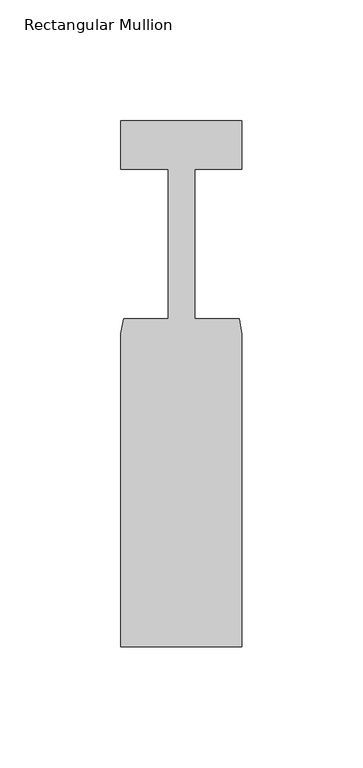
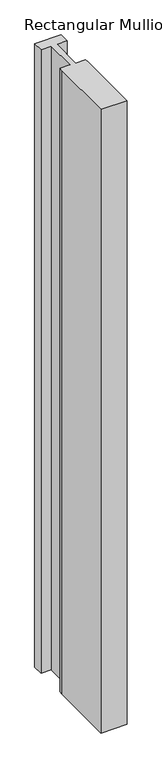
"""IFC4 building model written with IfcOpenShell, lengths in millimetres: member geometry, Rectangular Mullion."""

import ifcopenshell
import ifcopenshell.guid

model = None  # the IFC model being written
_history = None  # IfcOwnerHistory: only IFC2X3 demands one
_inside = {}  # id of a spatial element -> (the spatial element, [elements in it])
_under = {}  # id of a project, library or spatial element -> (it, [spatial elements below it])
_declared = {}  # id of a project -> (the project, [libraries it declares])
_typed = {}  # id of a type object -> (the type object, [elements of that type])
_made_of = {}  # id of a material, layer set ... -> (it, [elements and type objects made of it])


def new_model(schema):
    """Start an empty IFC model of exactly this schema.

    Asked for "IFC4X3", IfcOpenShell would pick the latest addendum, in which some entities
    have other attributes; the version numbers below select the first issue.
    IFC2X3 requires an IfcOwnerHistory on every rooted entity: one is made here for all.
    """
    global model, _history
    if schema == "IFC4X3":
        model = ifcopenshell.file(schema_version=(4, 3, 0, 0))
    else:
        model = ifcopenshell.file(schema=schema)
    _inside.clear()
    _under.clear()
    _declared.clear()
    _typed.clear()
    _made_of.clear()
    _history = None
    if model.schema == "IFC2X3":
        org = make("IfcOrganization", Name="unknown")
        user = make(
            "IfcPersonAndOrganization",
            ThePerson=make("IfcPerson", FamilyName="unknown"),
            TheOrganization=org,
        )
        app = make(
            "IfcApplication",
            ApplicationDeveloper=org,
            Version="unknown",
            ApplicationFullName="unknown",
            ApplicationIdentifier="unknown",
        )
        _history = make(
            "IfcOwnerHistory",
            OwningUser=user,
            OwningApplication=app,
            ChangeAction="ADDED",
            CreationDate=0,
        )
    return model


def make(cls, **values):
    """One entity of the class cls with the attributes given. An attribute that is None is left unset."""
    return model.create_entity(
        cls, **{name: value for name, value in values.items() if value is not None}
    )


def rooted(cls, **values):
    """An entity with a GlobalId (a new one), such as an element, a storey or a relation."""
    return make(cls, GlobalId=ifcopenshell.guid.new(), OwnerHistory=_history, **values)


def si_unit(unit_type, name, prefix=None):
    """IfcSIUnit, for example si_unit("LENGTHUNIT", "METRE", prefix="MILLI")."""
    return make("IfcSIUnit", UnitType=unit_type, Prefix=prefix, Name=name)


def assignment(units):
    """IfcUnitAssignment: the units of a project."""
    return None if units is None else make("IfcUnitAssignment", Units=units)


def point(xyz):
    """IfcCartesianPoint."""
    return None if xyz is None else make("IfcCartesianPoint", Coordinates=xyz)


def direction(xyz):
    """IfcDirection."""
    return None if xyz is None else make("IfcDirection", DirectionRatios=xyz)


def frame(location, z_axis=None, x_axis=None):
    """IfcAxis2Placement3D, a coordinate frame: its origin and axes. An axis left out is left unset."""
    return make(
        "IfcAxis2Placement3D",
        Location=point(location),
        Axis=direction(z_axis),
        RefDirection=direction(x_axis),
    )


def origin():
    """The frame at (0, 0, 0) with its axes left unset."""
    return frame((0.0, 0.0, 0.0))


def place(relative_to, where):
    """IfcLocalPlacement: puts the frame where relative to a parent placement (None: the world)."""
    return make(
        "IfcLocalPlacement", PlacementRelTo=relative_to, RelativePlacement=where
    )


def context(
    kind, dimensions, precision=None, world=None, true_north=None, identifier=None
):
    """IfcGeometricRepresentationContext, for example the 3D "Model" context."""
    return make(
        "IfcGeometricRepresentationContext",
        ContextIdentifier=identifier,
        ContextType=kind,
        CoordinateSpaceDimension=dimensions,
        Precision=precision,
        WorldCoordinateSystem=world,
        TrueNorth=true_north,
    )


def project(units=None, contexts=None):
    """IfcProject with its units and contexts."""
    return rooted(
        "IfcProject",
        Name="project",
        RepresentationContexts=contexts,
        UnitsInContext=assignment(units),
    )


def spatial(cls, under=None, at=None, **own):
    """A site, building, storey or space (cls), placed at a placement, below another one or the project."""
    s = rooted(cls, ObjectPlacement=at, **own)
    if under is not None:
        _under.setdefault(under.id(), (under, []))[1].append(s)
    return s


def polyline(points):
    """IfcPolyline through the points."""
    return make("IfcPolyline", Points=[point(p) for p in points])


def outline(outer, holes=None, kind="AREA"):
    """IfcArbitraryClosedProfileDef: a profile drawn as a closed curve; with holes, ...WithVoids."""
    if holes is None:
        return make("IfcArbitraryClosedProfileDef", ProfileType=kind, OuterCurve=outer)
    return make(
        "IfcArbitraryProfileDefWithVoids",
        ProfileType=kind,
        OuterCurve=outer,
        InnerCurves=holes,
    )


def extrude(swept, where, along, depth):
    """IfcExtrudedAreaSolid: the profile swept, set in the frame where, extruded along a direction by depth."""
    return make(
        "IfcExtrudedAreaSolid",
        SweptArea=swept,
        Position=where,
        ExtrudedDirection=direction(along),
        Depth=depth,
    )


def shape(context_of_items, identifier, shape_type, items):
    """IfcShapeRepresentation: the items that make up one representation, for example the "Body"."""
    return make(
        "IfcShapeRepresentation",
        ContextOfItems=context_of_items,
        RepresentationIdentifier=identifier,
        RepresentationType=shape_type,
        Items=items,
    )


def source(mapping_origin, context_of_items, identifier, shape_type, items):
    """IfcRepresentationMap: a shape defined once, which mapped items show again and again."""
    return make(
        "IfcRepresentationMap",
        MappingOrigin=mapping_origin,
        MappedRepresentation=shape(context_of_items, identifier, shape_type, items),
    )


def transform(
    local_origin,
    x_axis=None,
    y_axis=None,
    z_axis=None,
    scale=None,
    scale2=None,
    scale3=None,
    uniform=True,
):
    """IfcCartesianTransformationOperator3D, or its non-uniform kind. x_axis, y_axis, z_axis: its Axis1, 2, 3."""
    if uniform:
        return make(
            "IfcCartesianTransformationOperator3D",
            Axis1=direction(x_axis),
            Axis2=direction(y_axis),
            LocalOrigin=point(local_origin),
            Scale=scale,
            Axis3=direction(z_axis),
        )
    return make(
        "IfcCartesianTransformationOperator3DnonUniform",
        Axis1=direction(x_axis),
        Axis2=direction(y_axis),
        LocalOrigin=point(local_origin),
        Scale=scale,
        Axis3=direction(z_axis),
        Scale2=scale2,
        Scale3=scale3,
    )


def mapped(mapping_source, mapping_target):
    """IfcMappedItem: shows the shape of a source again, moved by a transform."""
    return make(
        "IfcMappedItem", MappingSource=mapping_source, MappingTarget=mapping_target
    )


def made_of(thing, what):
    """Note that an element or type object is made of a material, layer set ...; save() writes the relation."""
    if what is not None:
        _made_of.setdefault(what.id(), (what, []))[1].append(thing)
    return thing


def element(
    cls,
    number,
    at=None,
    inside=None,
    cuts=None,
    type_object=None,
    material=None,
    context=None,
    identifier="Body",
    shape_type=None,
    held_by="IfcProductDefinitionShape",
    body=None,
    shapes=None,
    **own,
):
    """One element of the class cls, such as IfcWall. Its Tag is "e" and its number.

    at: its placement. inside: the storey or other place that contains it. cuts: it is an
    opening in that element (IfcRelVoidsElement). A single representation is given by context,
    identifier, shape_type and body (its items); several are given by shapes. held_by: the class
    of the entity that holds the representations. save() writes the other relations.
    """
    e = rooted(cls, Tag="e%d" % number, ObjectPlacement=at, **own)
    if body is not None:
        shapes = [shape(context, identifier, shape_type, body)]
    if shapes is not None:
        e.Representation = make(held_by, Representations=shapes)
    if inside is not None:
        _inside.setdefault(inside.id(), (inside, []))[1].append(e)
    if cuts is not None:
        rooted(
            "IfcRelVoidsElement", RelatingBuildingElement=cuts, RelatedOpeningElement=e
        )
    if type_object is not None:
        _typed.setdefault(type_object.id(), (type_object, []))[1].append(e)
    return made_of(e, material)


def aggregate(whole, parts):
    """IfcRelAggregates: a whole, such as a stair, and the parts it consists of."""
    return rooted("IfcRelAggregates", RelatingObject=whole, RelatedObjects=parts)


def save(model, path):
    """Write the relations noted so far, then the file.

    IfcRelAggregates (storeys below a building ...), IfcRelContainedInSpatialStructure (elements
    in a storey), IfcRelDefinesByType, IfcRelAssociatesMaterial and IfcRelDeclares: one each for
    every whole, place, type object, material and project.
    """
    for whole, parts in _under.values():
        aggregate(whole, parts)
    for where, things in _inside.values():
        rooted(
            "IfcRelContainedInSpatialStructure",
            RelatedElements=things,
            RelatingStructure=where,
        )
    for kind, things in _typed.values():
        rooted("IfcRelDefinesByType", RelatedObjects=things, RelatingType=kind)
    for what, things in _made_of.values():
        rooted("IfcRelAssociatesMaterial", RelatedObjects=things, RelatingMaterial=what)
    for by, libraries in _declared.values():
        rooted("IfcRelDeclares", RelatingContext=by, RelatedDefinitions=libraries)
    model.write(path)


def rectangular_mullion_83280fd0(model_context):
    return source(origin(), model_context, "Body", "SweptSolid", [
        extrude(outline(polyline([(-50.0, -161.3), (-50.0, -32.0), (-48.9, -25.8), (-30.5, -25.8), (-30.5, 36.0), (-50.0, 36.0), (-50.0, 56.0), (0.0, 56.0), (0.0, 36.0), (-19.5000001, 36.0), (-19.5000001, -25.8), (-1.1, -25.8), (0.0, -32.0), (0.0, -161.3), (-50.0, -161.3)])), frame((0.0, 0.0, -1250.0), z_axis=(0.0, 0.0, 1.0), x_axis=(1.0, 0.0, 0.0)), (0.0, 0.0, 1.0), 1250.0),
    ])


if __name__ == "__main__":
    model = new_model("IFC4")
    model_context = context("Model", 3, world=origin())
    ifc_project = project(units=[si_unit("LENGTHUNIT", "METRE", prefix="MILLI")], contexts=[model_context])
    site = spatial("IfcSite", under=ifc_project)
    building = spatial("IfcBuilding", under=site)
    placement = place(None, origin())
    rectangular_mullion_shape = rectangular_mullion_83280fd0(model_context)
    element("IfcMember", 1, ObjectType="Rectangular Mullion", at=placement, inside=building, context=model_context, shape_type="MappedRepresentation", body=[
        mapped(rectangular_mullion_shape, transform((0.0, 0.0, 0.0), x_axis=(1.0, 0.0, 0.0), y_axis=(0.0, 1.0, 0.0), z_axis=(0.0, 0.0, 1.0))),
    ])
    save(model, "model.ifc")
